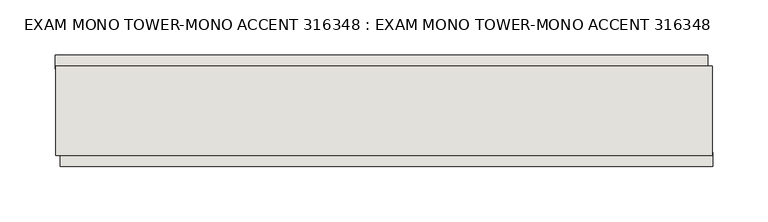
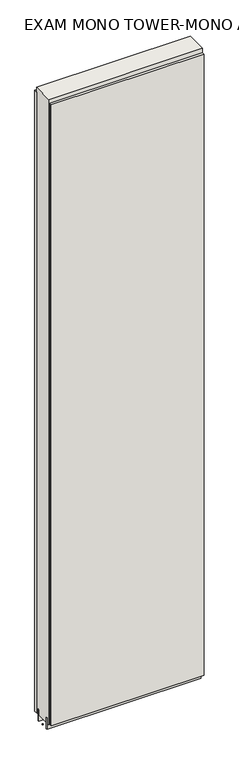
"""IFC4 building model written with IfcOpenShell, lengths in millimetres: wall geometry, EXAM MONO TOWER-MONO ACCENT 316348 : EXAM MONO TOWER-MONO ACCENT 316348."""

from ifc_helpers import new_model, si_unit, frame, origin, place, context, project, spatial, polyline, outline, extrude, source, transform, mapped, element, save


def exam_mono_tower_mono_accent_316348_exam_mono_tower_mono_f5863600(model_context):
    return source(origin(), model_context, "Body", "SweptSolid", [
        extrude(outline(polyline([(75756.7576048, -53335.9245954), (75754.2176048, -53335.9245954), (75754.2176048, -53333.3845954), (75756.7576048, -53333.3845954), (75756.7576048, -53335.9245954)])), frame((0.0, 0.0, 4419.6), z_axis=(0.0, 0.0, 1.0), x_axis=(1.0, 0.0, 0.0)), (0.0, 0.0, 1.0), 2.54),
        extrude(outline(polyline([(75753.754512, -53283.8545954), (76346.6544692, -53283.8545954), (76346.6544692, -53296.5545954), (75753.754512, -53296.5545954), (75753.754512, -53283.8545954)])), frame((0.0, 0.0, 4445.0), z_axis=(0.0, 0.0, 1.0), x_axis=(1.0, 0.0, 0.0)), (0.0, 0.0, 1.0), 2545.0498756),
        extrude(outline(polyline([(76351.5782084, -53385.4545954), (75758.6782512, -53385.4545954), (75758.6782512, -53372.7545954), (76351.5782084, -53372.7545954), (76351.5782084, -53385.4545954)])), frame((0.0, 0.0, 4445.0), z_axis=(0.0, 0.0, 1.0), x_axis=(1.0, 0.0, 0.0)), (0.0, 0.0, 1.0), 2545.0498756),
        extrude(outline(polyline([(76351.103965, -53309.5708508), (75754.203965, -53309.5708508), (75754.203965, -53304.4920954), (76351.103965, -53304.4920954), (76351.103965, -53309.5708508)])), frame((0.0, 0.0, 4418.6602), z_axis=(0.0, 0.0, 1.0), x_axis=(1.0, 0.0, 0.0)), (0.0, 0.0, 1.0), 47.625),
        extrude(outline(polyline([(76351.103965, -53309.5708508), (75754.203965, -53309.5708508), (75754.203965, -53304.4920954), (76351.103965, -53304.4920954), (76351.103965, -53309.5708508)])), frame((0.0, 0.0, 4418.6602), z_axis=(0.0, 0.0, 1.0), x_axis=(1.0, 0.0, 0.0)), (0.0, 0.0, 1.0), 47.625),
        extrude(outline(polyline([(75754.203965, -53359.73834), (76351.103965, -53359.73834), (76351.103965, -53364.8170954), (75754.203965, -53364.8170954), (75754.203965, -53359.73834)])), frame((0.0, 0.0, 4418.6602), z_axis=(0.0, 0.0, 1.0), x_axis=(1.0, 0.0, 0.0)), (0.0, 0.0, 1.0), 47.625),
        extrude(outline(polyline([(75754.203965, -53359.73834), (76351.103965, -53359.73834), (76351.103965, -53364.8170954), (75754.203965, -53364.8170954), (75754.203965, -53359.73834)])), frame((0.0, 0.0, 4418.6602), z_axis=(0.0, 0.0, 1.0), x_axis=(1.0, 0.0, 0.0)), (0.0, 0.0, 1.0), 47.625),
        extrude(outline(polyline([(76351.103965, -53293.999711), (76351.103965, -53375.3032822), (75754.203965, -53375.3032822), (75754.203965, -53293.999711), (76351.103965, -53293.999711)])), frame((0.0, 0.0, 4445.0), z_axis=(0.0, 0.0, 1.0), x_axis=(1.0, 0.0, 0.0)), (0.0, 0.0, 1.0), 2562.4536762),
    ])


if __name__ == "__main__":
    model = new_model("IFC4")
    model_context = context("Model", 3, world=origin())
    ifc_project = project(units=[si_unit("LENGTHUNIT", "METRE", prefix="MILLI")], contexts=[model_context])
    site = spatial("IfcSite", under=ifc_project)
    building = spatial("IfcBuilding", under=site)
    placement = place(None, origin())
    exam_mono_tower_mono_accent_316348_exam_mono_tower_mono_shape = exam_mono_tower_mono_accent_316348_exam_mono_tower_mono_f5863600(model_context)
    element("IfcWall", 1, ObjectType="EXAM MONO TOWER-MONO ACCENT 316348 : EXAM MONO TOWER-MONO ACCENT 316348", at=placement, inside=building, context=model_context, shape_type="MappedRepresentation", body=[
        mapped(exam_mono_tower_mono_accent_316348_exam_mono_tower_mono_shape, transform((0.0, 0.0, 0.0), x_axis=(1.0, 0.0, 0.0), y_axis=(0.0, 1.0, 0.0), z_axis=(0.0, 0.0, 1.0))),
    ])
    save(model, "model.ifc")
